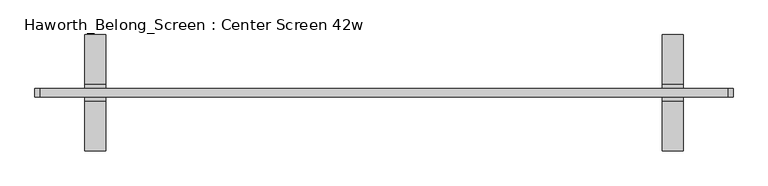
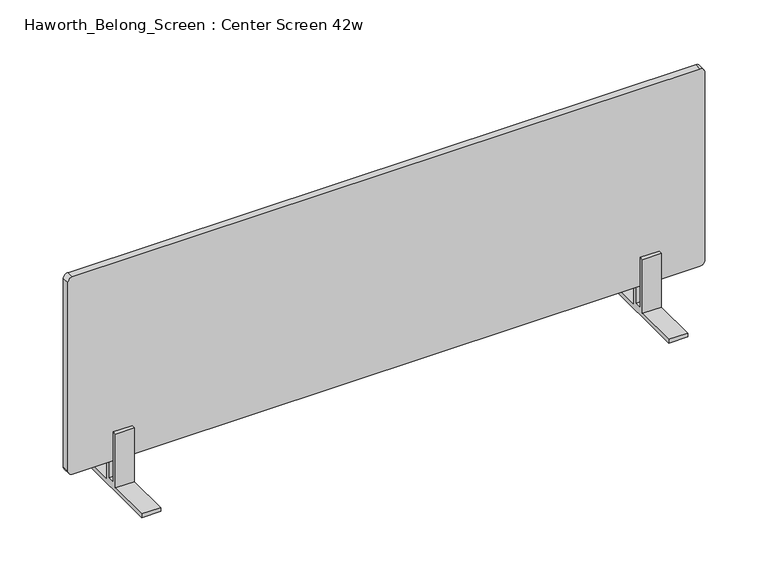
"""IFC4 building model written with IfcOpenShell, lengths in millimetres: furniture geometry, Haworth_Belong_Screen : Center Screen 42w."""

from ifc_helpers import new_model, si_unit, point, frame, frame_2d, origin, place, context, project, spatial, polyline, circle_curve, trimmed, segment, composite_curve, outline, extrude, source, transform, mapped, element, save


def haworth_belong_screen_center_screen_42w_6c65730b(model_context):
    return source(origin(), model_context, "Body", "SweptSolid", [
        extrude(outline(polyline([(12.7, 668.3375), (88.9, 668.3375), (88.9, 661.9875), (-88.9, 661.9875), (-88.9, 668.3375), (-12.7, 668.3375), (-12.7, 763.5875), (-6.35, 763.5875), (-6.35, 674.6875), (6.35, 674.6875), (6.35, 763.5875), (12.7, 763.5875), (12.7, 668.3375)])), frame((-489.8645436, 0.0, 0.0), z_axis=(1.0, 0.0, 0.0), x_axis=(0.0, 1.0, 0.0)), (0.0, 0.0, 1.0), 31.75),
        extrude(outline(polyline([(12.7, 668.3375), (88.9, 668.3375), (88.9, 661.9875), (-88.9, 661.9875), (-88.9, 668.3375), (-12.7, 668.3375), (-12.7, 763.5875), (-6.35, 763.5875), (-6.35, 674.6875), (6.35, 674.6875), (6.35, 763.5875), (12.7, 763.5875), (12.7, 668.3375)])), frame((392.7854564, 0.0, 0.0), z_axis=(1.0, 0.0, 0.0), x_axis=(0.0, 1.0, 0.0)), (0.0, 0.0, 1.0), 31.75),
        extrude(outline(composite_curve([segment(polyline([(1062.0375, 492.7979564), (1062.0375, -558.1270436)]), True, "CONTINUOUS"), segment(trimmed(circle_curve(frame_2d((1054.1, -558.1270436)), 7.9375), [point((1062.0375, -558.1270436))], [point((1054.1, -566.0645436))], False, "CARTESIAN"), True, "CONTINUOUS"), segment(polyline([(1054.1, -566.0645436), (720.725, -566.0645436)]), True, "CONTINUOUS"), segment(trimmed(circle_curve(frame_2d((720.725, -558.1270436)), 7.9375), [point((720.725, -566.0645436))], [point((712.7875, -558.1270436))], False, "CARTESIAN"), True, "CONTINUOUS"), segment(polyline([(712.7875, -558.1270436), (712.7875, 492.7979564)]), True, "CONTINUOUS"), segment(trimmed(circle_curve(frame_2d((720.725, 492.7979564)), 7.9375), [point((712.7875, 492.7979564))], [point((720.725, 500.7354564))], False, "CARTESIAN"), True, "CONTINUOUS"), segment(polyline([(720.725, 500.7354564), (1054.1, 500.7354564)]), True, "CONTINUOUS"), segment(trimmed(circle_curve(frame_2d((1054.1, 492.7979564)), 7.9375), [point((1054.1, 500.7354564))], [point((1062.0375, 492.7979564))], False, "CARTESIAN"), True, "CONTINUOUS")], self_intersect=False)), frame((0.0, -6.35, 0.0), z_axis=(0.0, 1.0, 0.0), x_axis=(0.0, 0.0, 1.0)), (0.0, 0.0, 1.0), 12.7),
    ])


if __name__ == "__main__":
    model = new_model("IFC4")
    model_context = context("Model", 3, world=origin())
    ifc_project = project(units=[si_unit("LENGTHUNIT", "METRE", prefix="MILLI")], contexts=[model_context])
    site = spatial("IfcSite", under=ifc_project)
    building = spatial("IfcBuilding", under=site)
    placement = place(None, origin())
    haworth_belong_screen_center_screen_42w_shape = haworth_belong_screen_center_screen_42w_6c65730b(model_context)
    element("IfcFurniture", 1, ObjectType="Haworth_Belong_Screen : Center Screen 42w", at=placement, inside=building, context=model_context, shape_type="MappedRepresentation", body=[
        mapped(haworth_belong_screen_center_screen_42w_shape, transform((0.0, 0.0, 0.0), x_axis=(1.0, 0.0, 0.0), y_axis=(0.0, 1.0, 0.0), z_axis=(0.0, 0.0, 1.0))),
    ])
    save(model, "model.ifc")
